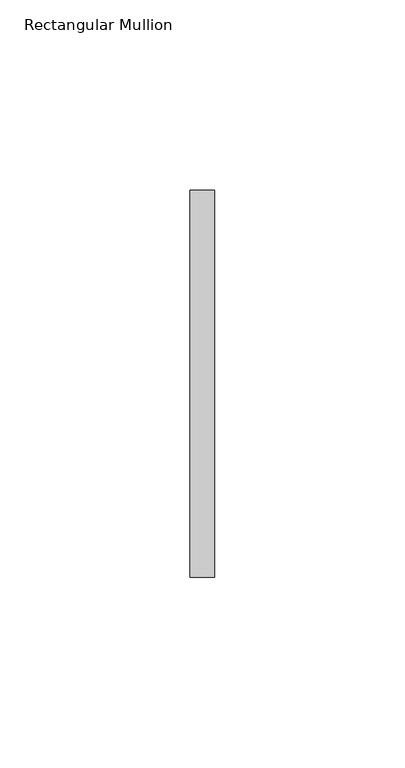
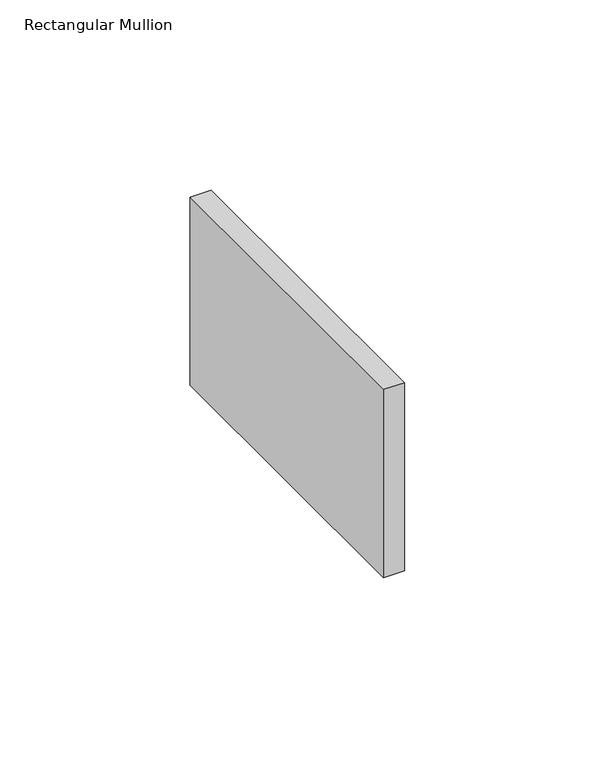
"""IFC4 building model written with IfcOpenShell, lengths in millimetres: member geometry, Rectangular Mullion."""

from ifc_helpers import new_model, si_unit, frame, origin, place, context, project, spatial, polyline, outline, extrude, source, transform, mapped, element, save


def rectangular_mullion_fad1f56d(model_context):
    return source(origin(), model_context, "Body", "SweptSolid", [
        extrude(outline(polyline([(0.0, 50.8), (0.0, -50.8), (-6.35, -50.8), (-6.35, 50.8), (0.0, 50.8)])), frame((0.0, 0.0, -60.325), z_axis=(0.0, 0.0, 1.0), x_axis=(1.0, 0.0, 0.0)), (0.0, 0.0, 1.0), 60.325),
    ])


if __name__ == "__main__":
    model = new_model("IFC4")
    model_context = context("Model", 3, world=origin())
    ifc_project = project(units=[si_unit("LENGTHUNIT", "METRE", prefix="MILLI")], contexts=[model_context])
    site = spatial("IfcSite", under=ifc_project)
    building = spatial("IfcBuilding", under=site)
    placement = place(None, origin())
    rectangular_mullion_shape = rectangular_mullion_fad1f56d(model_context)
    element("IfcMember", 1, ObjectType="Rectangular Mullion", at=placement, inside=building, context=model_context, shape_type="MappedRepresentation", body=[
        mapped(rectangular_mullion_shape, transform((0.0, 0.0, 0.0), x_axis=(1.0, 0.0, 0.0), y_axis=(0.0, 1.0, 0.0), z_axis=(0.0, 0.0, 1.0))),
    ])
    save(model, "model.ifc")
